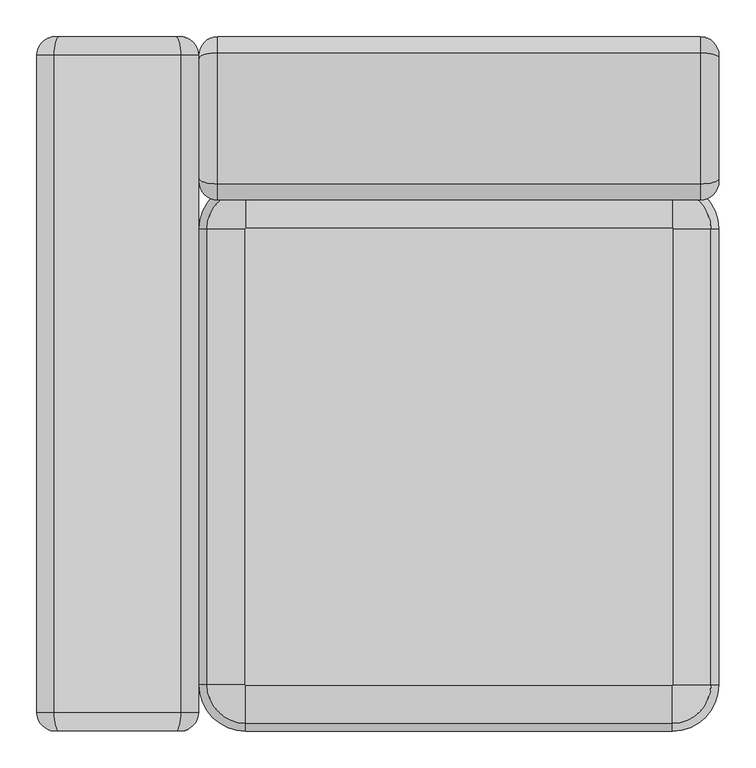
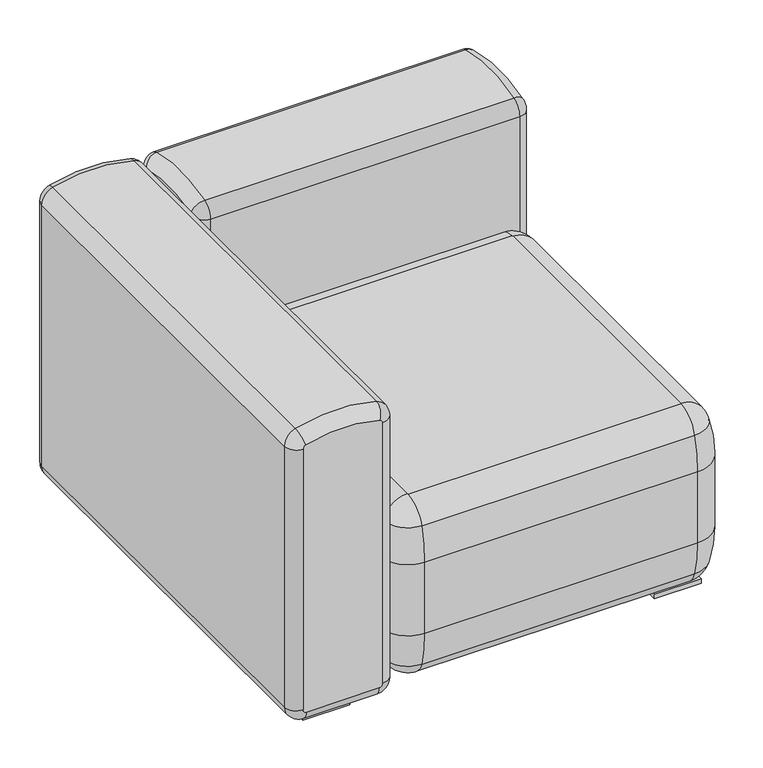
"""IFC4 building model written with IfcOpenShell, lengths in millimetres: furniture geometry."""

from ifc_helpers import new_model, si_unit, point, frame, origin, origin_with_axes, place, context, project, spatial, polyline, circle_curve, ellipse_curve, trimmed, outline, extrude, source, transform, mapped, element, save
from ifc_brep_helpers import plane_surface, cylinder_surface, revolved_surface, advanced_brep


def furniture_c8c11480(model_context):
    return source(origin(), model_context, "Body", "SolidModel", [
        advanced_brep(
        [(-682.6969384, -198.1446945, 125.4351153), (-746.1969384, -261.6446945, 125.4351153), (-746.1969384, -261.6446945, 284.9390002), (-682.6969384, -198.1446945, 284.9390002), (-101.6729065, -198.1446945, 284.9390002), (-101.6729065, -198.1446945, 125.4351153), (-38.1729065, -261.6446945, 284.9390002), (-38.1729065, -261.6446945, 125.4351153), (-38.1729065, -881.9784325, 284.9390002), (-38.1729065, -881.9784325, 125.4351153), (-101.6729065, -945.4784325, 284.9390002), (-101.6729065, -945.4784325, 125.4351153), (-682.6969384, -945.4784325, 284.9390002), (-682.6969384, -945.4784325, 125.4351153), (-746.1969384, -881.9784325, 284.9390002), (-746.1969384, -881.9784325, 125.4351153), (-682.6969384, -208.9333449, 49.2644113), (-735.4082879, -261.6446945, 49.2644113), (-101.6729065, -208.9333449, 49.2644113), (-48.961557, -261.6446945, 49.2644113), (-48.961557, -881.9784325, 49.2644113), (-101.6729065, -934.689782, 49.2644113), (-682.6969384, -934.689782, 49.2644113), (-735.4082879, -881.9784325, 49.2644113), (-682.6969384, -260.0698945, 9.5077974), (-684.2717384, -261.6446945, 9.5077974), (-101.6729065, -260.0698945, 9.5077974), (-100.0981065, -261.6446945, 9.5077974), (-100.0981065, -881.9784325, 9.5077974), (-101.6729065, -883.5532325, 9.5077974), (-682.6969384, -883.5532325, 9.5077974), (-684.2717384, -881.9784325, 9.5077974), (-682.6969384, -208.9333449, 361.1097042), (-735.4082879, -261.6446945, 361.1097042), (-684.2717384, -261.6446945, 400.8663181), (-682.6969384, -260.0698945, 400.8663181), (-101.6729065, -260.0698945, 400.8663181), (-101.6729065, -208.9333449, 361.1097042), (-100.0981065, -261.6446945, 400.8663181), (-48.961557, -261.6446945, 361.1097042), (-100.0981065, -881.9784325, 400.8663181), (-48.961557, -881.9784325, 361.1097042), (-101.6729065, -883.5532325, 400.8663181), (-101.6729065, -934.689782, 361.1097042), (-682.6969384, -883.5532325, 400.8663181), (-682.6969384, -934.689782, 361.1097042), (-684.2717384, -881.9784325, 400.8663181), (-735.4082879, -881.9784325, 361.1097042)],
        [
            (0, 1, circle_curve(frame((-682.6969384, -261.6446945, 125.4351153), z_axis=(0.0, 0.0, 1.0), x_axis=(-1.0, 0.0, 0.0)), 63.5)),
            (1, 2),
            (2, 3, circle_curve(frame((-682.6969384, -261.6446945, 284.9390002), z_axis=(0.0, 0.0, -1.0), x_axis=(-1.0, 0.0, 0.0)), 63.5)),
            (3, 0),
            (3, 4),
            (4, 5),
            (5, 0),
            (4, 6, circle_curve(frame((-101.6729065, -261.6446945, 284.9390002), z_axis=(0.0, 0.0, -1.0), x_axis=(0.0, 1.0, 0.0)), 63.5)),
            (6, 7),
            (7, 5, circle_curve(frame((-101.6729065, -261.6446945, 125.4351153), z_axis=(0.0, 0.0, 1.0), x_axis=(0.0, 1.0, 0.0)), 63.5)),
            (6, 8),
            (8, 9),
            (9, 7),
            (8, 10, circle_curve(frame((-101.6729065, -881.9784325, 284.9390002), z_axis=(0.0, 0.0, -1.0), x_axis=(1.0, 0.0, 0.0)), 63.5)),
            (10, 11),
            (11, 9, circle_curve(frame((-101.6729065, -881.9784325, 125.4351153), z_axis=(0.0, 0.0, 1.0), x_axis=(1.0, 0.0, 0.0)), 63.5)),
            (10, 12),
            (12, 13),
            (13, 11),
            (12, 14, circle_curve(frame((-682.6969384, -881.9784325, 284.9390002), z_axis=(0.0, 0.0, -1.0), x_axis=(0.0, -1.0, 0.0)), 63.5)),
            (14, 15),
            (15, 13, circle_curve(frame((-682.6969384, -881.9784325, 125.4351153), z_axis=(0.0, 0.0, 1.0), x_axis=(0.0, -1.0, 0.0)), 63.5)),
            (1, 15),
            (14, 2),
            (0, 16, circle_curve(frame((-682.6969384, -472.4316017, 125.4351153), z_axis=(-1.0, 0.0, 0.0), x_axis=(0.0, -1.0, 0.0)), 274.2869073)),
            (16, 17, circle_curve(frame((-682.6969384, -261.6446945, 49.2644113), z_axis=(0.0, 0.0, 1.0), x_axis=(-1.0, 0.0, 0.0)), 52.7113496)),
            (17, 1, circle_curve(frame((-471.9100311, -261.6446945, 125.4351153), z_axis=(0.0, 1.0, 0.0), x_axis=(1.0, 0.0, 0.0)), 274.2869073)),
            (5, 18, circle_curve(frame((-101.6729065, -472.4316017, 125.4351153), z_axis=(-1.0, 0.0, 0.0), x_axis=(0.0, -1.0, 0.0)), 274.2869073)),
            (18, 16),
            (7, 19, circle_curve(frame((-312.4598138, -261.6446945, 125.4351153), z_axis=(0.0, 1.0, 0.0), x_axis=(-1.0, 0.0, 0.0)), 274.2869073)),
            (19, 18, circle_curve(frame((-101.6729065, -261.6446945, 49.2644113), z_axis=(0.0, 0.0, 1.0), x_axis=(0.0, 1.0, 0.0)), 52.7113496)),
            (9, 20, circle_curve(frame((-312.4598138, -881.9784325, 125.4351153), z_axis=(0.0, 1.0, 0.0), x_axis=(-1.0, 0.0, 0.0)), 274.2869073)),
            (20, 19),
            (11, 21, circle_curve(frame((-101.6729065, -671.1915252, 125.4351153), z_axis=(1.0, 0.0, 0.0), x_axis=(0.0, 1.0, 0.0)), 274.2869073)),
            (21, 20, circle_curve(frame((-101.6729065, -881.9784325, 49.2644113), z_axis=(0.0, 0.0, 1.0), x_axis=(1.0, 0.0, 0.0)), 52.7113496)),
            (13, 22, circle_curve(frame((-682.6969384, -671.1915252, 125.4351153), z_axis=(1.0, 0.0, 0.0), x_axis=(0.0, 1.0, 0.0)), 274.2869073)),
            (22, 21),
            (15, 23, circle_curve(frame((-471.9100311, -881.9784325, 125.4351153), z_axis=(0.0, -1.0, 0.0), x_axis=(1.0, 0.0, 0.0)), 274.2869073)),
            (23, 22, circle_curve(frame((-682.6969384, -881.9784325, 49.2644113), z_axis=(0.0, 0.0, 1.0), x_axis=(0.0, -1.0, 0.0)), 52.7113496)),
            (17, 23),
            (16, 24, circle_curve(frame((-682.6969384, -261.8485917, 64.5608753), z_axis=(-1.0, 0.0, 0.0), x_axis=(0.0, -1.0, 0.0)), 55.0818042)),
            (24, 25, circle_curve(frame((-682.6969384, -261.6446945, 9.5077974), z_axis=(0.0, 0.0, 1.0), x_axis=(-1.0, 0.0, 0.0)), 1.5748)),
            (25, 17, circle_curve(frame((-682.4930411, -261.6446945, 64.5608753), z_axis=(0.0, 1.0, 0.0), x_axis=(1.0, 0.0, 0.0)), 55.0818042)),
            (18, 26, circle_curve(frame((-101.6729065, -261.8485917, 64.5608753), z_axis=(-1.0, 0.0, 0.0), x_axis=(0.0, -1.0, 0.0)), 55.0818042)),
            (26, 24),
            (19, 27, circle_curve(frame((-101.8768038, -261.6446945, 64.5608753), z_axis=(0.0, 1.0, 0.0), x_axis=(-1.0, 0.0, 0.0)), 55.0818042)),
            (27, 26, circle_curve(frame((-101.6729065, -261.6446945, 9.5077974), z_axis=(0.0, 0.0, 1.0), x_axis=(0.0, 1.0, 0.0)), 1.5748)),
            (20, 28, circle_curve(frame((-101.8768038, -881.9784325, 64.5608753), z_axis=(0.0, 1.0, 0.0), x_axis=(-1.0, 0.0, 0.0)), 55.0818042)),
            (28, 27),
            (21, 29, circle_curve(frame((-101.6729065, -881.7745352, 64.5608753), z_axis=(1.0, 0.0, 0.0), x_axis=(0.0, 1.0, 0.0)), 55.0818042)),
            (29, 28, circle_curve(frame((-101.6729065, -881.9784325, 9.5077974), z_axis=(0.0, 0.0, 1.0), x_axis=(1.0, 0.0, 0.0)), 1.5748)),
            (22, 30, circle_curve(frame((-682.6969384, -881.7745352, 64.5608753), z_axis=(1.0, 0.0, 0.0), x_axis=(0.0, 1.0, 0.0)), 55.0818042)),
            (30, 29),
            (23, 31, circle_curve(frame((-682.4930411, -881.9784325, 64.5608753), z_axis=(0.0, -1.0, 0.0), x_axis=(1.0, 0.0, 0.0)), 55.0818042)),
            (31, 30, circle_curve(frame((-682.6969384, -881.9784325, 9.5077974), z_axis=(0.0, 0.0, 1.0), x_axis=(0.0, -1.0, 0.0)), 1.5748)),
            (25, 31),
            (32, 33, circle_curve(frame((-682.6969384, -261.6446945, 361.1097042), z_axis=(0.0, 0.0, 1.0), x_axis=(-1.0, 0.0, 0.0)), 52.7113496)),
            (33, 34, circle_curve(frame((-682.4930411, -261.6446945, 345.8132401), z_axis=(0.0, 1.0, 0.0), x_axis=(1.0, 0.0, 0.0)), 55.0818042)),
            (34, 35, circle_curve(frame((-682.6969384, -261.6446945, 400.8663181), z_axis=(0.0, 0.0, -1.0), x_axis=(-1.0, 0.0, 0.0)), 1.5748)),
            (35, 32, circle_curve(frame((-682.6969384, -261.8485917, 345.8132401), z_axis=(-1.0, 0.0, 0.0), x_axis=(0.0, -1.0, 0.0)), 55.0818042)),
            (2, 33, circle_curve(frame((-471.9100311, -261.6446945, 284.9390002), z_axis=(0.0, 1.0, 0.0), x_axis=(1.0, 0.0, 0.0)), 274.2869073)),
            (32, 3, circle_curve(frame((-682.6969384, -472.4316017, 284.9390002), z_axis=(-1.0, 0.0, 0.0), x_axis=(0.0, -1.0, 0.0)), 274.2869073)),
            (35, 36),
            (36, 37, circle_curve(frame((-101.6729065, -261.8485917, 345.8132401), z_axis=(-1.0, 0.0, 0.0), x_axis=(0.0, -1.0, 0.0)), 55.0818042)),
            (37, 32),
            (37, 4, circle_curve(frame((-101.6729065, -472.4316017, 284.9390002), z_axis=(-1.0, 0.0, 0.0), x_axis=(0.0, -1.0, 0.0)), 274.2869073)),
            (36, 38, circle_curve(frame((-101.6729065, -261.6446945, 400.8663181), z_axis=(0.0, 0.0, -1.0), x_axis=(0.0, 1.0, 0.0)), 1.5748)),
            (38, 39, circle_curve(frame((-101.8768038, -261.6446945, 345.8132401), z_axis=(0.0, 1.0, 0.0), x_axis=(-1.0, 0.0, 0.0)), 55.0818042)),
            (39, 37, circle_curve(frame((-101.6729065, -261.6446945, 361.1097042), z_axis=(0.0, 0.0, 1.0), x_axis=(0.0, 1.0, 0.0)), 52.7113496)),
            (39, 6, circle_curve(frame((-312.4598138, -261.6446945, 284.9390002), z_axis=(0.0, 1.0, 0.0), x_axis=(-1.0, 0.0, 0.0)), 274.2869073)),
            (38, 40),
            (40, 41, circle_curve(frame((-101.8768038, -881.9784325, 345.8132401), z_axis=(0.0, 1.0, 0.0), x_axis=(-1.0, 0.0, 0.0)), 55.0818042)),
            (41, 39),
            (41, 8, circle_curve(frame((-312.4598138, -881.9784325, 284.9390002), z_axis=(0.0, 1.0, 0.0), x_axis=(-1.0, 0.0, 0.0)), 274.2869073)),
            (40, 42, circle_curve(frame((-101.6729065, -881.9784325, 400.8663181), z_axis=(0.0, 0.0, -1.0), x_axis=(1.0, 0.0, 0.0)), 1.5748)),
            (42, 43, circle_curve(frame((-101.6729065, -881.7745352, 345.8132401), z_axis=(1.0, 0.0, 0.0), x_axis=(0.0, 1.0, 0.0)), 55.0818042)),
            (43, 41, circle_curve(frame((-101.6729065, -881.9784325, 361.1097042), z_axis=(0.0, 0.0, 1.0), x_axis=(1.0, 0.0, 0.0)), 52.7113496)),
            (43, 10, circle_curve(frame((-101.6729065, -671.1915252, 284.9390002), z_axis=(1.0, 0.0, 0.0), x_axis=(0.0, 1.0, 0.0)), 274.2869073)),
            (42, 44),
            (44, 45, circle_curve(frame((-682.6969384, -881.7745352, 345.8132401), z_axis=(1.0, 0.0, 0.0), x_axis=(0.0, 1.0, 0.0)), 55.0818042)),
            (45, 43),
            (45, 12, circle_curve(frame((-682.6969384, -671.1915252, 284.9390002), z_axis=(1.0, 0.0, 0.0), x_axis=(0.0, 1.0, 0.0)), 274.2869073)),
            (44, 46, circle_curve(frame((-682.6969384, -881.9784325, 400.8663181), z_axis=(0.0, 0.0, -1.0), x_axis=(0.0, -1.0, 0.0)), 1.5748)),
            (46, 47, circle_curve(frame((-682.4930411, -881.9784325, 345.8132401), z_axis=(0.0, -1.0, 0.0), x_axis=(1.0, 0.0, 0.0)), 55.0818042)),
            (47, 45, circle_curve(frame((-682.6969384, -881.9784325, 361.1097042), z_axis=(0.0, 0.0, 1.0), x_axis=(0.0, -1.0, 0.0)), 52.7113496)),
            (47, 14, circle_curve(frame((-471.9100311, -881.9784325, 284.9390002), z_axis=(0.0, -1.0, 0.0), x_axis=(1.0, 0.0, 0.0)), 274.2869073)),
            (33, 47),
            (46, 34),
        ],
        [
            cylinder_surface(frame((-682.6969384, -261.6446945, 0.0), z_axis=(0.0, 0.0, -1.0), x_axis=(-1.0, 0.0, 0.0)), 63.5),
            plane_surface(frame((-682.6969384, -198.1446945, 284.9390002), z_axis=(0.0, 1.0, 0.0), x_axis=(1.0, 0.0, 0.0))),
            cylinder_surface(frame((-101.6729065, -261.6446945, 0.0), z_axis=(0.0, 0.0, -1.0), x_axis=(0.0, 1.0, 0.0)), 63.5),
            plane_surface(frame((-38.1729065, -261.6446945, 284.9390002), z_axis=(1.0, 0.0, 0.0), x_axis=(0.0, -1.0, 0.0))),
            cylinder_surface(frame((-101.6729065, -881.9784325, 0.0), z_axis=(0.0, 0.0, -1.0), x_axis=(1.0, 0.0, 0.0)), 63.5),
            plane_surface(frame((-101.6729065, -945.4784325, 284.9390002), z_axis=(0.0, -1.0, 0.0), x_axis=(-1.0, 0.0, 0.0))),
            cylinder_surface(frame((-682.6969384, -881.9784325, 0.0), z_axis=(0.0, 0.0, -1.0), x_axis=(0.0, -1.0, 0.0)), 63.5),
            plane_surface(frame((-746.1969384, -881.9784325, 284.9390002), z_axis=(-1.0, 0.0, 0.0), x_axis=(0.0, 1.0, 0.0))),
            revolved_surface(trimmed(ellipse_curve(frame((-471.9100311, -261.6446945, 125.4351153), z_axis=(0.0, -1.0, 0.0), x_axis=(1.0, 0.0, 0.0)), 274.2869073, 274.2869073), [point((-746.1969384, -261.6446945, 125.4351153))], [point((-735.4082879, -261.6446945, 49.2644113))], True, "CARTESIAN"), (-682.6969384, -261.6446945, 0.0), (0.0, 0.0, -1.0)),
            cylinder_surface(frame((-682.6969384, -472.4316017, 125.4351153), z_axis=(-1.0, 0.0, 0.0), x_axis=(0.0, -1.0, 0.0)), 274.2869073),
            revolved_surface(trimmed(ellipse_curve(frame((-101.6729065, -472.4316017, 125.4351153), z_axis=(-1.0, 0.0, 0.0), x_axis=(0.0, -1.0, 0.0)), 274.2869073, 274.2869073), [point((-101.6729065, -198.1446945, 125.4351153))], [point((-101.6729065, -208.9333449, 49.2644113))], True, "CARTESIAN"), (-101.6729065, -261.6446945, 0.0), (0.0, 0.0, -1.0)),
            cylinder_surface(frame((-312.4598138, -261.6446945, 125.4351153), z_axis=(0.0, 1.0, 0.0), x_axis=(-1.0, 0.0, 0.0)), 274.2869073),
            revolved_surface(trimmed(ellipse_curve(frame((-312.4598138, -881.9784325, 125.4351153), z_axis=(0.0, 1.0, 0.0), x_axis=(-1.0, 0.0, 0.0)), 274.2869073, 274.2869073), [point((-38.1729065, -881.9784325, 125.4351153))], [point((-48.961557, -881.9784325, 49.2644113))], True, "CARTESIAN"), (-101.6729065, -881.9784325, 0.0), (0.0, 0.0, -1.0)),
            cylinder_surface(frame((-101.6729065, -671.1915252, 125.4351153), z_axis=(1.0, 0.0, 0.0), x_axis=(0.0, 1.0, 0.0)), 274.2869073),
            revolved_surface(trimmed(ellipse_curve(frame((-682.6969384, -671.1915252, 125.4351153), z_axis=(1.0, 0.0, 0.0), x_axis=(0.0, 1.0, 0.0)), 274.2869073, 274.2869073), [point((-682.6969384, -945.4784325, 125.4351153))], [point((-682.6969384, -934.689782, 49.2644113))], True, "CARTESIAN"), (-682.6969384, -881.9784325, 0.0), (0.0, 0.0, -1.0)),
            cylinder_surface(frame((-471.9100311, -881.9784325, 125.4351153), z_axis=(0.0, -1.0, 0.0), x_axis=(1.0, 0.0, 0.0)), 274.2869073),
            revolved_surface(trimmed(ellipse_curve(frame((-682.4930411, -261.6446945, 64.5608753), z_axis=(0.0, -1.0, 0.0), x_axis=(1.0, 0.0, 0.0)), 55.0818042, 55.0818042), [point((-735.4082879, -261.6446945, 49.2644113))], [point((-684.2717384, -261.6446945, 9.5077974))], True, "CARTESIAN"), (-682.6969384, -261.6446945, 0.0), (0.0, 0.0, -1.0)),
            cylinder_surface(frame((-682.6969384, -261.8485917, 64.5608753), z_axis=(-1.0, 0.0, 0.0), x_axis=(0.0, -1.0, 0.0)), 55.0818042),
            revolved_surface(trimmed(ellipse_curve(frame((-101.6729065, -261.8485917, 64.5608753), z_axis=(-1.0, 0.0, 0.0), x_axis=(0.0, -1.0, 0.0)), 55.0818042, 55.0818042), [point((-101.6729065, -208.9333449, 49.2644113))], [point((-101.6729065, -260.0698945, 9.5077974))], True, "CARTESIAN"), (-101.6729065, -261.6446945, 0.0), (0.0, 0.0, -1.0)),
            cylinder_surface(frame((-101.8768038, -261.6446945, 64.5608753), z_axis=(0.0, 1.0, 0.0), x_axis=(-1.0, 0.0, 0.0)), 55.0818042),
            revolved_surface(trimmed(ellipse_curve(frame((-101.8768038, -881.9784325, 64.5608753), z_axis=(0.0, 1.0, 0.0), x_axis=(-1.0, 0.0, 0.0)), 55.0818042, 55.0818042), [point((-48.961557, -881.9784325, 49.2644113))], [point((-100.0981065, -881.9784325, 9.5077974))], True, "CARTESIAN"), (-101.6729065, -881.9784325, 0.0), (0.0, 0.0, -1.0)),
            cylinder_surface(frame((-101.6729065, -881.7745352, 64.5608753), z_axis=(1.0, 0.0, 0.0), x_axis=(0.0, 1.0, 0.0)), 55.0818042),
            revolved_surface(trimmed(ellipse_curve(frame((-682.6969384, -881.7745352, 64.5608753), z_axis=(1.0, 0.0, 0.0), x_axis=(0.0, 1.0, 0.0)), 55.0818042, 55.0818042), [point((-682.6969384, -934.689782, 49.2644113))], [point((-682.6969384, -883.5532325, 9.5077974))], True, "CARTESIAN"), (-682.6969384, -881.9784325, 0.0), (0.0, 0.0, -1.0)),
            cylinder_surface(frame((-682.4930411, -881.9784325, 64.5608753), z_axis=(0.0, -1.0, 0.0), x_axis=(1.0, 0.0, 0.0)), 55.0818042),
            revolved_surface(trimmed(ellipse_curve(frame((-682.4930411, -261.6446945, 345.8132401), z_axis=(0.0, -1.0, 0.0), x_axis=(1.0, 0.0, 0.0)), 55.0818042, 55.0818042), [point((-684.2717384, -261.6446945, 400.8663181))], [point((-735.4082879, -261.6446945, 361.1097042))], True, "CARTESIAN"), (-682.6969384, -261.6446945, 0.0), (0.0, 0.0, -1.0)),
            revolved_surface(trimmed(ellipse_curve(frame((-471.9100311, -261.6446945, 284.9390002), z_axis=(0.0, -1.0, 0.0), x_axis=(1.0, 0.0, 0.0)), 274.2869073, 274.2869073), [point((-735.4082879, -261.6446945, 361.1097042))], [point((-746.1969384, -261.6446945, 284.9390002))], True, "CARTESIAN"), (-682.6969384, -261.6446945, 0.0), (0.0, 0.0, -1.0)),
            cylinder_surface(frame((-682.6969384, -261.8485917, 345.8132401), z_axis=(-1.0, 0.0, 0.0), x_axis=(0.0, -1.0, 0.0)), 55.0818042),
            cylinder_surface(frame((-682.6969384, -472.4316017, 284.9390002), z_axis=(-1.0, 0.0, 0.0), x_axis=(0.0, -1.0, 0.0)), 274.2869073),
            revolved_surface(trimmed(ellipse_curve(frame((-101.6729065, -261.8485917, 345.8132401), z_axis=(-1.0, 0.0, 0.0), x_axis=(0.0, -1.0, 0.0)), 55.0818042, 55.0818042), [point((-101.6729065, -260.0698945, 400.8663181))], [point((-101.6729065, -208.9333449, 361.1097042))], True, "CARTESIAN"), (-101.6729065, -261.6446945, 0.0), (0.0, 0.0, -1.0)),
            revolved_surface(trimmed(ellipse_curve(frame((-101.6729065, -472.4316017, 284.9390002), z_axis=(-1.0, 0.0, 0.0), x_axis=(0.0, -1.0, 0.0)), 274.2869073, 274.2869073), [point((-101.6729065, -208.9333449, 361.1097042))], [point((-101.6729065, -198.1446945, 284.9390002))], True, "CARTESIAN"), (-101.6729065, -261.6446945, 0.0), (0.0, 0.0, -1.0)),
            cylinder_surface(frame((-101.8768038, -261.6446945, 345.8132401), z_axis=(0.0, 1.0, 0.0), x_axis=(-1.0, 0.0, 0.0)), 55.0818042),
            cylinder_surface(frame((-312.4598138, -261.6446945, 284.9390002), z_axis=(0.0, 1.0, 0.0), x_axis=(-1.0, 0.0, 0.0)), 274.2869073),
            revolved_surface(trimmed(ellipse_curve(frame((-101.8768038, -881.9784325, 345.8132401), z_axis=(0.0, 1.0, 0.0), x_axis=(-1.0, 0.0, 0.0)), 55.0818042, 55.0818042), [point((-100.0981065, -881.9784325, 400.8663181))], [point((-48.961557, -881.9784325, 361.1097042))], True, "CARTESIAN"), (-101.6729065, -881.9784325, 0.0), (0.0, 0.0, -1.0)),
            revolved_surface(trimmed(ellipse_curve(frame((-312.4598138, -881.9784325, 284.9390002), z_axis=(0.0, 1.0, 0.0), x_axis=(-1.0, 0.0, 0.0)), 274.2869073, 274.2869073), [point((-48.961557, -881.9784325, 361.1097042))], [point((-38.1729065, -881.9784325, 284.9390002))], True, "CARTESIAN"), (-101.6729065, -881.9784325, 0.0), (0.0, 0.0, -1.0)),
            cylinder_surface(frame((-101.6729065, -881.7745352, 345.8132401), z_axis=(1.0, 0.0, 0.0), x_axis=(0.0, 1.0, 0.0)), 55.0818042),
            cylinder_surface(frame((-101.6729065, -671.1915252, 284.9390002), z_axis=(1.0, 0.0, 0.0), x_axis=(0.0, 1.0, 0.0)), 274.2869073),
            revolved_surface(trimmed(ellipse_curve(frame((-682.6969384, -881.7745352, 345.8132401), z_axis=(1.0, 0.0, 0.0), x_axis=(0.0, 1.0, 0.0)), 55.0818042, 55.0818042), [point((-682.6969384, -883.5532325, 400.8663181))], [point((-682.6969384, -934.689782, 361.1097042))], True, "CARTESIAN"), (-682.6969384, -881.9784325, 0.0), (0.0, 0.0, -1.0)),
            revolved_surface(trimmed(ellipse_curve(frame((-682.6969384, -671.1915252, 284.9390002), z_axis=(1.0, 0.0, 0.0), x_axis=(0.0, 1.0, 0.0)), 274.2869073, 274.2869073), [point((-682.6969384, -934.689782, 361.1097042))], [point((-682.6969384, -945.4784325, 284.9390002))], True, "CARTESIAN"), (-682.6969384, -881.9784325, 0.0), (0.0, 0.0, -1.0)),
            cylinder_surface(frame((-682.4930411, -881.9784325, 345.8132401), z_axis=(0.0, -1.0, 0.0), x_axis=(1.0, 0.0, 0.0)), 55.0818042),
            cylinder_surface(frame((-471.9100311, -881.9784325, 284.9390002), z_axis=(0.0, -1.0, 0.0), x_axis=(1.0, 0.0, 0.0)), 274.2869073),
            plane_surface(frame((-684.2717384, -1125.140639, 400.8663181), z_axis=(0.0, 0.0, 1.0), x_axis=(0.0, -1.0, 0.0))),
            plane_surface(frame((-684.2717384, -1125.140639, 9.5077974), z_axis=(0.0, 0.0, -1.0), x_axis=(0.0, 1.0, 0.0))),
        ],
        [
            (0, [[1, 2, 3, 4]]),
            (1, [[-4, 5, 6, 7]]),
            (2, [[-6, 8, 9, 10]]),
            (3, [[-9, 11, 12, 13]]),
            (4, [[-12, 14, 15, 16]]),
            (5, [[-15, 17, 18, 19]]),
            (6, [[-18, 20, 21, 22]]),
            (7, [[-2, 23, -21, 24]]),
            (8, [[-1, 25, 26, 27]]),
            (9, [[-7, 28, 29, -25]]),
            (10, [[-10, 30, 31, -28]]),
            (11, [[-13, 32, 33, -30]]),
            (12, [[-16, 34, 35, -32]]),
            (13, [[-19, 36, 37, -34]]),
            (14, [[-22, 38, 39, -36]]),
            (15, [[-23, -27, 40, -38]]),
            (16, [[-26, 41, 42, 43]]),
            (17, [[-29, 44, 45, -41]]),
            (18, [[-31, 46, 47, -44]]),
            (19, [[-33, 48, 49, -46]]),
            (20, [[-35, 50, 51, -48]]),
            (21, [[-37, 52, 53, -50]]),
            (22, [[-39, 54, 55, -52]]),
            (23, [[-40, -43, 56, -54]]),
            (24, [[57, 58, 59, 60]]),
            (25, [[-3, 61, -57, 62]]),
            (26, [[-60, 63, 64, 65]]),
            (27, [[-5, -62, -65, 66]]),
            (28, [[-64, 67, 68, 69]]),
            (29, [[-8, -66, -69, 70]]),
            (30, [[-68, 71, 72, 73]]),
            (31, [[-11, -70, -73, 74]]),
            (32, [[-72, 75, 76, 77]]),
            (33, [[-14, -74, -77, 78]]),
            (34, [[-76, 79, 80, 81]]),
            (35, [[-17, -78, -81, 82]]),
            (36, [[-80, 83, 84, 85]]),
            (37, [[-20, -82, -85, 86]]),
            (38, [[-58, 87, -84, 88]]),
            (39, [[-24, -86, -87, -61]]),
            (40, [[-59, -88, -83, -79, -75, -71, -67, -63]]),
            (41, [[-42, -45, -47, -49, -51, -53, -55, -56]]),
        ],
    ),
        advanced_brep(
        [(-721.0031758, 0.0, 632.3988818), (-721.0031758, -21.7039085, 661.5881027), (-63.5729323, -21.7039085, 661.5881027), (-63.5729323, 0.0, 632.3988818), (-746.4031758, -25.4, 632.3988818), (-746.4031758, -29.0173181, 637.263752), (-38.1729323, -29.0173181, 637.263752), (-38.1729323, -25.4, 632.3988818), (-63.5729323, 0.0, 43.3255551), (-721.0031758, 0.0, 43.3255551), (-746.4031758, -25.4, 43.3255551), (-38.1729323, -25.4, 43.3255551), (-63.5729323, -33.02, 10.3055551), (-721.0031758, -33.02, 10.3055551), (-746.4031758, -33.02, 35.7055551), (-38.1729323, -33.02, 35.7055551), (-63.5729323, -189.2299879, 10.3055551), (-721.0031758, -189.2299879, 10.3055551), (-746.4031758, -189.2299879, 35.7055551), (-38.1729323, -189.2299879, 35.7055551), (-63.5729323, -222.2499879, 43.3255551), (-721.0031758, -222.2499879, 43.3255551), (-746.4031758, -196.8499879, 43.3255551), (-38.1729323, -196.8499879, 43.3255551), (-63.5729323, -222.2499879, 632.3988818), (-721.0031758, -222.2499879, 632.3988818), (-746.4031758, -196.8499879, 632.3988818), (-38.1729323, -196.8499879, 632.3988818), (-63.5729323, -200.5460794, 661.5881027), (-721.0031758, -200.5460794, 661.5881027), (-746.4031758, -193.2326698, 637.263752), (-38.1729323, -193.2326698, 637.263752)],
        [
            (0, 1, circle_curve(frame((-721.0031758, -30.48, 632.3988818), z_axis=(1.0, 0.0, 0.0), x_axis=(0.0, 0.2879295114147125, 0.9576516049464361)), 30.48)),
            (1, 2),
            (2, 3, circle_curve(frame((-63.5729323, -30.48, 632.3988818), z_axis=(-1.0, 0.0, 0.0), x_axis=(0.0, 0.2879295114147125, 0.9576516049464361)), 30.48)),
            (3, 0),
            (0, 4, circle_curve(frame((-721.0031758, -25.4, 632.3988818), z_axis=(0.0, 0.0, 1.0), x_axis=(0.0, 1.0, 0.0)), 25.4)),
            (4, 5, circle_curve(frame((-746.4031758, -30.48, 632.3988818), z_axis=(1.0, 0.0, 0.0), x_axis=(0.0, 0.2879295114147125, 0.9576516049464361)), 5.08)),
            (5, 1, circle_curve(frame((-721.0031758, -29.0173181, 637.263752), z_axis=(0.0, 0.9576516049464361, -0.28792951141471257), x_axis=(0.0, 0.28792951141471257, 0.9576516049464361)), 25.4)),
            (2, 6, circle_curve(frame((-63.5729323, -29.0173181, 637.263752), z_axis=(0.0, 0.9576516049464361, -0.28792951141471257), x_axis=(0.0, 0.28792951141471257, 0.9576516049464361)), 25.4)),
            (6, 7, circle_curve(frame((-38.1729323, -30.48, 632.3988818), z_axis=(-1.0, 0.0, 0.0), x_axis=(0.0, 0.2879295114147125, 0.9576516049464361)), 5.08)),
            (7, 3, circle_curve(frame((-63.5729323, -25.4, 632.3988818), z_axis=(0.0, 0.0, 0.9999999999999999), x_axis=(0.0, 0.9999999999999999, 0.0)), 25.4)),
            (3, 8),
            (8, 9),
            (9, 0),
            (9, 10, circle_curve(frame((-721.0031758, -25.4, 43.3255551), z_axis=(0.0, 0.0, 1.0), x_axis=(0.0, 1.0, 0.0)), 25.4)),
            (10, 4),
            (7, 11),
            (11, 8, circle_curve(frame((-63.5729323, -25.4, 43.3255551), z_axis=(0.0, 0.0, 1.0), x_axis=(0.0, 1.0, 0.0)), 25.4)),
            (8, 12, circle_curve(frame((-63.5729323, -33.02, 43.3255551), z_axis=(-1.0, 0.0, 0.0), x_axis=(0.0, 1.0, 0.0)), 33.02)),
            (12, 13),
            (13, 9, circle_curve(frame((-721.0031758, -33.02, 43.3255551), z_axis=(1.0, 0.0, 0.0), x_axis=(0.0, 1.0, 0.0)), 33.02)),
            (13, 14, circle_curve(frame((-721.0031758, -33.02, 35.7055551), z_axis=(0.0, 1.0, 0.0), x_axis=(0.0, 0.0, -1.0)), 25.4)),
            (14, 10, circle_curve(frame((-746.4031758, -33.02, 43.3255551), z_axis=(1.0, 0.0, 0.0), x_axis=(0.0, 1.0, 0.0)), 7.62)),
            (11, 15, circle_curve(frame((-38.1729323, -33.02, 43.3255551), z_axis=(-1.0, 0.0, 0.0), x_axis=(0.0, 1.0, 0.0)), 7.62)),
            (15, 12, circle_curve(frame((-63.5729323, -33.02, 35.7055551), z_axis=(0.0, 1.0, 0.0), x_axis=(0.0, 0.0, -1.0)), 25.4)),
            (12, 16),
            (16, 17),
            (17, 13),
            (17, 18, circle_curve(frame((-721.0031758, -189.2299879, 35.7055551), z_axis=(0.0, 1.0, 0.0), x_axis=(0.0, 0.0, -1.0)), 25.4)),
            (18, 14),
            (15, 19),
            (19, 16, circle_curve(frame((-63.5729323, -189.2299879, 35.7055551), z_axis=(0.0, 1.0, 0.0), x_axis=(0.0, 0.0, -1.0)), 25.4)),
            (16, 20, circle_curve(frame((-63.5729323, -189.2299879, 43.3255551), z_axis=(-1.0, 0.0, 0.0), x_axis=(0.0, 0.0, -1.0)), 33.02)),
            (20, 21),
            (21, 17, circle_curve(frame((-721.0031758, -189.2299879, 43.3255551), z_axis=(1.0, 0.0, 0.0), x_axis=(0.0, 0.0, -1.0)), 33.02)),
            (21, 22, circle_curve(frame((-721.0031758, -196.8499879, 43.3255551), z_axis=(0.0, 0.0, -1.0), x_axis=(0.0, -1.0, 0.0)), 25.4)),
            (22, 18, circle_curve(frame((-746.4031758, -189.2299879, 43.3255551), z_axis=(1.0, 0.0, 0.0), x_axis=(0.0, 0.0, -1.0)), 7.62)),
            (19, 23, circle_curve(frame((-38.1729323, -189.2299879, 43.3255551), z_axis=(-1.0, 0.0, 0.0), x_axis=(0.0, 0.0, -1.0)), 7.62)),
            (23, 20, circle_curve(frame((-63.5729323, -196.8499879, 43.3255551), z_axis=(0.0, 0.0, -1.0), x_axis=(0.0, -1.0, 0.0)), 25.4)),
            (20, 24),
            (24, 25),
            (25, 21),
            (25, 26, circle_curve(frame((-721.0031758, -196.8499879, 632.3988818), z_axis=(0.0, 0.0, -1.0), x_axis=(0.0, -1.0, 0.0)), 25.4)),
            (26, 22),
            (23, 27),
            (27, 24, circle_curve(frame((-63.5729323, -196.8499879, 632.3988818), z_axis=(0.0, 0.0, -1.0), x_axis=(0.0, -1.0, 0.0)), 25.4)),
            (24, 28, circle_curve(frame((-63.5729323, -191.7699879, 632.3988818), z_axis=(-1.0, 0.0, 0.0), x_axis=(0.0, -1.0, 0.0)), 30.48)),
            (28, 29),
            (29, 25, circle_curve(frame((-721.0031758, -191.7699879, 632.3988818), z_axis=(1.0, 0.0, 0.0), x_axis=(0.0, -1.0, 0.0)), 30.48)),
            (29, 30, circle_curve(frame((-721.0031758, -193.2326698, 637.263752), z_axis=(0.0, -0.957651604946457, -0.2879295114146433), x_axis=(0.0, -0.2879295114146433, 0.957651604946457)), 25.4)),
            (30, 26, circle_curve(frame((-746.4031758, -191.7699879, 632.3988818), z_axis=(1.0, 0.0, 0.0), x_axis=(0.0, -1.0, 0.0)), 5.08)),
            (27, 31, circle_curve(frame((-38.1729323, -191.7699879, 632.3988818), z_axis=(-1.0, 0.0, 0.0), x_axis=(0.0, -1.0, 0.0)), 5.08)),
            (31, 28, circle_curve(frame((-63.5729323, -193.2326698, 637.263752), z_axis=(0.0, -0.9576516049464607, -0.2879295114146306), x_axis=(0.0, -0.2879295114146306, 0.9576516049464607)), 25.4)),
            (1, 29, circle_curve(frame((-721.0031758, -111.1249939, 364.1741781), z_axis=(1.0, 0.0, 0.0), x_axis=(0.0, -0.28792951141464596, 0.9576516049464561)), 310.5658917)),
            (28, 2, circle_curve(frame((-63.5729323, -111.1249939, 364.1741781), z_axis=(-1.0, 0.0, 0.0), x_axis=(0.0, -0.28792951141464596, 0.9576516049464561)), 310.5658917)),
            (5, 30, circle_curve(frame((-746.4031758, -111.1249939, 364.1741781), z_axis=(1.0, 0.0, 0.0), x_axis=(0.0, -0.28792951141464596, 0.9576516049464561)), 285.1658917)),
            (6, 31, circle_curve(frame((-38.1729323, -111.1249939, 364.1741781), z_axis=(1.0, 0.0, 0.0), x_axis=(0.0, -0.28792951141464596, 0.9576516049464561)), 285.1658917)),
        ],
        [
            cylinder_surface(frame((-743.9779521, -30.48, 632.3988818), z_axis=(-1.0, 0.0, 0.0), x_axis=(0.0, 0.2879295114147125, 0.9576516049464361)), 30.48),
            revolved_surface(trimmed(ellipse_curve(frame((-721.0031758, -29.0173181, 637.263752), z_axis=(0.0, -0.9576516049464361, 0.28792951141471257), x_axis=(0.0, 0.28792951141471257, 0.9576516049464361)), 25.4, 25.4), [point((-721.0031758, -21.7039085, 661.5881027))], [point((-746.4031758, -29.0173181, 637.263752))], True, "CARTESIAN"), (-743.9779521, -30.48, 632.3988818), (-1.0, 0.0, 0.0)),
            revolved_surface(trimmed(ellipse_curve(frame((-63.5729323, -29.0173181, 637.263752), z_axis=(0.0, -0.9576516049464361, 0.28792951141471257), x_axis=(0.0, 0.28792951141471257, 0.9576516049464361)), 25.4, 25.4), [point((-38.1729323, -29.0173181, 637.263752))], [point((-63.5729323, -21.7039085, 661.5881027))], True, "CARTESIAN"), (-743.9779521, -30.48, 632.3988818), (-1.0, 0.0, 0.0)),
            plane_surface(frame((-63.5729323, 0.0, 632.3988818), z_axis=(0.0, 1.0, 0.0), x_axis=(0.0, 0.0, -1.0))),
            cylinder_surface(frame((-721.0031758, -25.4, 632.3988818), z_axis=(0.0, 0.0, 1.0), x_axis=(0.0, 1.0, 0.0)), 25.4),
            cylinder_surface(frame((-63.5729323, -25.4, 632.3988818), z_axis=(0.0, 0.0, 1.0), x_axis=(0.0, 1.0, 0.0)), 25.4),
            cylinder_surface(frame((-743.9779521, -33.02, 43.3255551), z_axis=(-1.0, 0.0, 0.0), x_axis=(0.0, 1.0, 0.0)), 33.02),
            revolved_surface(trimmed(ellipse_curve(frame((-721.0031758, -25.4, 43.3255551), z_axis=(0.0, 0.0, 1.0), x_axis=(0.0, 1.0, 0.0)), 25.4, 25.4), [point((-721.0031758, 0.0, 43.3255551))], [point((-746.4031758, -25.4, 43.3255551))], True, "CARTESIAN"), (-743.9779521, -33.02, 43.3255551), (-1.0, 0.0, 0.0)),
            revolved_surface(trimmed(ellipse_curve(frame((-63.5729323, -25.4, 43.3255551), z_axis=(0.0, 0.0, 1.0), x_axis=(0.0, 1.0, 0.0)), 25.4, 25.4), [point((-38.1729323, -25.4, 43.3255551))], [point((-63.5729323, 0.0, 43.3255551))], True, "CARTESIAN"), (-743.9779521, -33.02, 43.3255551), (-1.0, 0.0, 0.0)),
            plane_surface(frame((-63.5729323, -33.02, 10.3055551), z_axis=(0.0, 0.0, -1.0), x_axis=(0.0, -1.0, 0.0))),
            cylinder_surface(frame((-721.0031758, -33.02, 35.7055551), z_axis=(0.0, 1.0, 0.0), x_axis=(0.0, 0.0, -1.0)), 25.4),
            cylinder_surface(frame((-63.5729323, -33.02, 35.7055551), z_axis=(0.0, 1.0, 0.0), x_axis=(0.0, 0.0, -1.0)), 25.4),
            cylinder_surface(frame((-743.9779521, -189.2299879, 43.3255551), z_axis=(-1.0, 0.0, 0.0), x_axis=(0.0, 0.0, -1.0)), 33.02),
            revolved_surface(trimmed(ellipse_curve(frame((-721.0031758, -189.2299879, 35.7055551), z_axis=(0.0, 1.0, 0.0), x_axis=(0.0, 0.0, -1.0)), 25.4, 25.4), [point((-721.0031758, -189.2299879, 10.3055551))], [point((-746.4031758, -189.2299879, 35.7055551))], True, "CARTESIAN"), (-743.9779521, -189.2299879, 43.3255551), (-1.0, 0.0, 0.0)),
            revolved_surface(trimmed(ellipse_curve(frame((-63.5729323, -189.2299879, 35.7055551), z_axis=(0.0, 1.0, 0.0), x_axis=(0.0, 0.0, -1.0)), 25.4, 25.4), [point((-38.1729323, -189.2299879, 35.7055551))], [point((-63.5729323, -189.2299879, 10.3055551))], True, "CARTESIAN"), (-743.9779521, -189.2299879, 43.3255551), (-1.0, 0.0, 0.0)),
            plane_surface(frame((-63.5729323, -222.2499879, 43.3255551), z_axis=(0.0, -1.0, 0.0), x_axis=(0.0, 0.0, 1.0))),
            cylinder_surface(frame((-721.0031758, -196.8499879, 43.3255551), z_axis=(0.0, 0.0, -1.0), x_axis=(0.0, -1.0, 0.0)), 25.4),
            cylinder_surface(frame((-63.5729323, -196.8499879, 43.3255551), z_axis=(0.0, 0.0, -1.0), x_axis=(0.0, -1.0, 0.0)), 25.4),
            cylinder_surface(frame((-743.9779521, -191.7699879, 632.3988818), z_axis=(-1.0, 0.0, 0.0), x_axis=(0.0, -1.0, 0.0)), 30.48),
            revolved_surface(trimmed(ellipse_curve(frame((-721.0031758, -196.8499879, 632.3988818), z_axis=(0.0, 0.0, -1.0), x_axis=(0.0, -1.0, 0.0)), 25.4, 25.4), [point((-721.0031758, -222.2499879, 632.3988818))], [point((-746.4031758, -196.8499879, 632.3988818))], True, "CARTESIAN"), (-743.9779521, -191.7699879, 632.3988818), (-1.0, 0.0, 0.0)),
            revolved_surface(trimmed(ellipse_curve(frame((-63.5729323, -196.8499879, 632.3988818), z_axis=(0.0, 0.0, -1.0), x_axis=(0.0, -1.0, 0.0)), 25.4, 25.4), [point((-38.1729323, -196.8499879, 632.3988818))], [point((-63.5729323, -222.2499879, 632.3988818))], True, "CARTESIAN"), (-743.9779521, -191.7699879, 632.3988818), (-1.0, 0.0, 0.0)),
            cylinder_surface(frame((-743.9779521, -111.1249939, 364.1741781), z_axis=(-1.0, 0.0, 0.0), x_axis=(0.0, -0.28792951141464596, 0.9576516049464561)), 310.5658917),
            revolved_surface(trimmed(ellipse_curve(frame((-721.0031758, -193.2326698, 637.263752), z_axis=(0.0, -0.9576516049464561, -0.28792951141464607), x_axis=(0.0, -0.28792951141464607, 0.9576516049464561)), 25.4, 25.4), [point((-721.0031758, -200.5460794, 661.5881027))], [point((-746.4031758, -193.2326698, 637.263752))], True, "CARTESIAN"), (-743.9779521, -111.1249939, 364.1741781), (-1.0, 0.0, 0.0)),
            plane_surface(frame((-746.4031758, -111.1249939, 364.1741781), z_axis=(-1.0000000000000002, 0.0, 0.0), x_axis=(0.0, -0.287929511414646, 0.9576516049464562))),
            plane_surface(frame((-38.1729323, -111.1249939, 364.1741781), z_axis=(1.0000000000000002, 0.0, 0.0), x_axis=(0.0, -0.287929511414646, 0.9576516049464562))),
            revolved_surface(trimmed(ellipse_curve(frame((-63.5729323, -193.2326698, 637.263752), z_axis=(0.0, -0.9576516049464561, -0.28792951141464607), x_axis=(0.0, -0.28792951141464607, 0.9576516049464561)), 25.4, 25.4), [point((-38.1729323, -193.2326698, 637.263752))], [point((-63.5729323, -200.5460794, 661.5881027))], True, "CARTESIAN"), (-743.9779521, -111.1249939, 364.1741781), (-1.0, 0.0, 0.0)),
        ],
        [
            (0, [[1, 2, 3, 4]]),
            (1, [[-1, 5, 6, 7]]),
            (2, [[-3, 8, 9, 10]]),
            (3, [[-4, 11, 12, 13]]),
            (4, [[-5, -13, 14, 15]]),
            (5, [[-10, 16, 17, -11]]),
            (6, [[-12, 18, 19, 20]]),
            (7, [[-14, -20, 21, 22]]),
            (8, [[-17, 23, 24, -18]]),
            (9, [[-19, 25, 26, 27]]),
            (10, [[-21, -27, 28, 29]]),
            (11, [[-24, 30, 31, -25]]),
            (12, [[-26, 32, 33, 34]]),
            (13, [[-28, -34, 35, 36]]),
            (14, [[-31, 37, 38, -32]]),
            (15, [[-33, 39, 40, 41]]),
            (16, [[-35, -41, 42, 43]]),
            (17, [[-38, 44, 45, -39]]),
            (18, [[-40, 46, 47, 48]]),
            (19, [[-42, -48, 49, 50]]),
            (20, [[-45, 51, 52, -46]]),
            (21, [[-2, 53, -47, 54]]),
            (22, [[-7, 55, -49, -53]]),
            (23, [[-6, -15, -22, -29, -36, -43, -50, -55]]),
            (24, [[-9, 56, -51, -44, -37, -30, -23, -16]]),
            (25, [[-8, -54, -52, -56]]),
        ],
    ),
        advanced_brep(
        [(-746.9220367, -919.715567, 43.3255551), (-779.9420367, -919.715567, 10.3055551), (-779.9420367, -25.4, 10.3055551), (-746.9220367, -25.4, 43.3255551), (-779.9420367, 0.0, 35.7055551), (-772.3220367, 0.0, 43.3255551), (-772.3220367, -945.115567, 43.3255551), (-779.9420367, -945.115567, 35.7055551), (-746.9220367, -25.4, 630.5024736), (-746.9220367, -919.715567, 630.5024736), (-772.3220367, 0.0, 630.5024736), (-772.3220367, -945.115567, 630.5024736), (-770.6843049, -25.4, 662.1981327), (-770.6843049, -919.715567, 662.1981327), (-777.8056371, 0.0, 637.8168565), (-777.8056371, -945.115567, 637.8168565), (-934.5266483, -919.715567, 10.3055551), (-934.5266483, -25.4, 10.3055551), (-934.5266483, 0.0, 35.7055551), (-934.5266483, -945.115567, 35.7055551), (-943.7843802, -25.4, 662.1981327), (-943.7843802, -919.715567, 662.1981327), (-936.6630479, 0.0, 637.8168565), (-936.6630479, -945.115567, 637.8168565), (-967.5466483, -25.4, 630.5024736), (-967.5466483, -919.715567, 630.5024736), (-942.1466483, 0.0, 630.5024736), (-942.1466483, -945.115567, 630.5024736), (-967.5466483, -25.4, 43.3255551), (-967.5466483, -919.715567, 43.3255551), (-942.1466483, 0.0, 43.3255551), (-942.1466483, -945.115567, 43.3255551)],
        [
            (0, 1, circle_curve(frame((-779.9420367, -919.715567, 43.3255551), z_axis=(0.0, 1.0, 0.0), x_axis=(0.0, 0.0, -1.0)), 33.02)),
            (1, 2),
            (2, 3, circle_curve(frame((-779.9420367, -25.4, 43.3255551), z_axis=(0.0, -1.0, 0.0), x_axis=(0.0, 0.0, -1.0)), 33.02)),
            (3, 0),
            (2, 4, circle_curve(frame((-779.9420367, -25.4, 35.7055551), z_axis=(1.0, 0.0, 0.0), x_axis=(0.0, 0.0, -1.0)), 25.4)),
            (4, 5, circle_curve(frame((-779.9420367, 0.0, 43.3255551), z_axis=(0.0, -1.0, 0.0), x_axis=(0.0, 0.0, -1.0)), 7.62)),
            (5, 3, circle_curve(frame((-772.3220367, -25.4, 43.3255551), z_axis=(0.0, 0.0, -1.0), x_axis=(1.0, 0.0, 0.0)), 25.4)),
            (0, 6, circle_curve(frame((-772.3220367, -919.715567, 43.3255551), z_axis=(0.0, 0.0, -1.0), x_axis=(1.0, 0.0, 0.0)), 25.4)),
            (6, 7, circle_curve(frame((-779.9420367, -945.115567, 43.3255551), z_axis=(0.0, 1.0, 0.0), x_axis=(0.0, 0.0, -1.0)), 7.62)),
            (7, 1, circle_curve(frame((-779.9420367, -919.715567, 35.7055551), z_axis=(1.0, 0.0, 0.0), x_axis=(0.0, 0.0, -1.0)), 25.4)),
            (3, 8),
            (8, 9),
            (9, 0),
            (5, 10),
            (10, 8, circle_curve(frame((-772.3220367, -25.4, 630.5024736), z_axis=(0.0, 0.0, -1.0), x_axis=(1.0, 0.0, 0.0)), 25.4)),
            (9, 11, circle_curve(frame((-772.3220367, -919.715567, 630.5024736), z_axis=(0.0, 0.0, -1.0), x_axis=(1.0, 0.0, 0.0)), 25.4)),
            (11, 6),
            (8, 12, circle_curve(frame((-779.9420367, -25.4, 630.5024736), z_axis=(0.0, -1.0, 0.0), x_axis=(1.0, 0.0, 0.0)), 33.02)),
            (12, 13),
            (13, 9, circle_curve(frame((-779.9420367, -919.715567, 630.5024736), z_axis=(0.0, 1.0, 0.0), x_axis=(1.0, 0.0, 0.0)), 33.02)),
            (10, 14, circle_curve(frame((-779.9420367, 0.0, 630.5024736), z_axis=(0.0, -1.0, 0.0), x_axis=(1.0, 0.0, 0.0)), 7.62)),
            (14, 12, circle_curve(frame((-777.8056371, -25.4, 637.8168565), z_axis=(0.9598927624517181, 0.0, -0.2803674100048175), x_axis=(0.2803674100048175, 0.0, 0.9598927624517181)), 25.4)),
            (13, 15, circle_curve(frame((-777.8056371, -919.715567, 637.8168565), z_axis=(0.9598927624517718, 0.0, -0.2803674100046336), x_axis=(0.2803674100046336, 0.0, 0.9598927624517718)), 25.4)),
            (15, 11, circle_curve(frame((-779.9420367, -945.115567, 630.5024736), z_axis=(0.0, 1.0, 0.0), x_axis=(1.0, 0.0, 0.0)), 7.62)),
            (1, 16),
            (16, 17),
            (17, 2),
            (17, 18, circle_curve(frame((-934.5266483, -25.4, 35.7055551), z_axis=(1.0, 0.0, 0.0), x_axis=(0.0, 0.0, -1.0)), 25.4)),
            (18, 4),
            (7, 19),
            (19, 16, circle_curve(frame((-934.5266483, -919.715567, 35.7055551), z_axis=(1.0, 0.0, 0.0), x_axis=(0.0, 0.0, -1.0)), 25.4)),
            (12, 20, circle_curve(frame((-857.2343425, -25.4, 365.8771204), z_axis=(0.0, -1.0, 0.0), x_axis=(0.2803674100045791, 0.0, 0.9598927624517878)), 308.7022049)),
            (20, 21),
            (21, 13, circle_curve(frame((-857.2343425, -919.715567, 365.8771204), z_axis=(0.0, 1.0, 0.0), x_axis=(0.2803674100045791, 0.0, 0.9598927624517878)), 308.7022049)),
            (14, 22, circle_curve(frame((-857.2343425, 0.0, 365.8771204), z_axis=(0.0, -1.0, 0.0), x_axis=(0.2803674100045791, 0.0, 0.9598927624517878)), 283.3022049)),
            (22, 20, circle_curve(frame((-936.6630479, -25.4, 637.8168565), z_axis=(0.9598927624517896, 0.0, 0.28036741000457277), x_axis=(-0.28036741000457277, 0.0, 0.9598927624517896)), 25.4)),
            (21, 23, circle_curve(frame((-936.6630479, -919.715567, 637.8168565), z_axis=(0.9598927624517896, 0.0, 0.28036741000457266), x_axis=(-0.28036741000457266, 0.0, 0.9598927624517896)), 25.4)),
            (23, 15, circle_curve(frame((-857.2343425, -945.115567, 365.8771204), z_axis=(0.0, 1.0, 0.0), x_axis=(0.2803674100045791, 0.0, 0.9598927624517878)), 283.3022049)),
            (20, 24, circle_curve(frame((-934.5266483, -25.4, 630.5024736), z_axis=(0.0, -1.0, 0.0), x_axis=(-0.28036741000457216, 0.0, 0.9598927624517898)), 33.02)),
            (24, 25),
            (25, 21, circle_curve(frame((-934.5266483, -919.715567, 630.5024736), z_axis=(0.0, 1.0, 0.0), x_axis=(-0.28036741000457216, 0.0, 0.9598927624517898)), 33.02)),
            (22, 26, circle_curve(frame((-934.5266483, 0.0, 630.5024736), z_axis=(0.0, -1.0, 0.0), x_axis=(-0.28036741000457216, 0.0, 0.9598927624517898)), 7.62)),
            (26, 24, circle_curve(frame((-942.1466483, -25.4, 630.5024736), z_axis=(0.0, 0.0, 1.0), x_axis=(-1.0, 0.0, 0.0)), 25.4)),
            (25, 27, circle_curve(frame((-942.1466483, -919.715567, 630.5024736), z_axis=(0.0, 0.0, 1.0), x_axis=(-1.0, 0.0, 0.0)), 25.4)),
            (27, 23, circle_curve(frame((-934.5266483, -945.115567, 630.5024736), z_axis=(0.0, 1.0, 0.0), x_axis=(-0.28036741000457216, 0.0, 0.9598927624517898)), 7.62)),
            (24, 28),
            (28, 29),
            (29, 25),
            (26, 30),
            (30, 28, circle_curve(frame((-942.1466483, -25.4, 43.3255551), z_axis=(0.0, 0.0, 1.0), x_axis=(-1.0, 0.0, 0.0)), 25.4)),
            (29, 31, circle_curve(frame((-942.1466483, -919.715567, 43.3255551), z_axis=(0.0, 0.0, 1.0), x_axis=(-1.0, 0.0, 0.0)), 25.4)),
            (31, 27),
            (16, 29, circle_curve(frame((-934.5266483, -919.715567, 43.3255551), z_axis=(0.0, 1.0, 0.0), x_axis=(-1.0, 0.0, 0.0)), 33.02)),
            (28, 17, circle_curve(frame((-934.5266483, -25.4, 43.3255551), z_axis=(0.0, -1.0, 0.0), x_axis=(-1.0, 0.0, 0.0)), 33.02)),
            (30, 18, circle_curve(frame((-934.5266483, 0.0, 43.3255551), z_axis=(0.0, -1.0, 0.0), x_axis=(-1.0, 0.0, 0.0)), 7.62)),
            (31, 19, circle_curve(frame((-934.5266483, -945.115567, 43.3255551), z_axis=(0.0, -1.0, 0.0), x_axis=(-1.0, 0.0, 0.0)), 7.62)),
        ],
        [
            cylinder_surface(frame((-779.9420367, 0.0, 43.3255551), z_axis=(0.0, -1.0, 0.0), x_axis=(0.0, 0.0, -1.0)), 33.02),
            revolved_surface(trimmed(ellipse_curve(frame((-779.9420367, -25.4, 35.7055551), z_axis=(-1.0, 0.0, 0.0), x_axis=(0.0, 0.0, -1.0)), 25.4, 25.4), [point((-779.9420367, 0.0, 35.7055551))], [point((-779.9420367, -25.4, 10.3055551))], True, "CARTESIAN"), (-779.9420367, 0.0, 43.3255551), (0.0, -1.0, 0.0)),
            revolved_surface(trimmed(ellipse_curve(frame((-779.9420367, -919.715567, 35.7055551), z_axis=(-1.0, 0.0, 0.0), x_axis=(0.0, 0.0, -1.0)), 25.4, 25.4), [point((-779.9420367, -919.715567, 10.3055551))], [point((-779.9420367, -945.115567, 35.7055551))], True, "CARTESIAN"), (-779.9420367, 0.0, 43.3255551), (0.0, -1.0, 0.0)),
            plane_surface(frame((-746.9220367, -25.4, 43.3255551), z_axis=(1.0, 0.0, 0.0), x_axis=(0.0, 0.0, 1.0))),
            cylinder_surface(frame((-772.3220367, -25.4, 43.3255551), z_axis=(0.0, 0.0, -1.0), x_axis=(1.0, 0.0, 0.0)), 25.4),
            cylinder_surface(frame((-772.3220367, -919.715567, 43.3255551), z_axis=(0.0, 0.0, -1.0), x_axis=(1.0, 0.0, 0.0)), 25.4),
            cylinder_surface(frame((-779.9420367, 0.0, 630.5024736), z_axis=(0.0, -1.0, 0.0), x_axis=(1.0, 0.0, 0.0)), 33.02),
            revolved_surface(trimmed(ellipse_curve(frame((-772.3220367, -25.4, 630.5024736), z_axis=(0.0, 0.0, -1.0), x_axis=(1.0, 0.0, 0.0)), 25.4, 25.4), [point((-772.3220367, 0.0, 630.5024736))], [point((-746.9220367, -25.4, 630.5024736))], True, "CARTESIAN"), (-779.9420367, 0.0, 630.5024736), (0.0, -1.0, 0.0)),
            revolved_surface(trimmed(ellipse_curve(frame((-772.3220367, -919.715567, 630.5024736), z_axis=(0.0, 0.0, -1.0), x_axis=(1.0, 0.0, 0.0)), 25.4, 25.4), [point((-746.9220367, -919.715567, 630.5024736))], [point((-772.3220367, -945.115567, 630.5024736))], True, "CARTESIAN"), (-779.9420367, 0.0, 630.5024736), (0.0, -1.0, 0.0)),
            plane_surface(frame((-934.5266483, -25.4, 10.3055551), z_axis=(0.0, 0.0, -1.0), x_axis=(1.0, 0.0, 0.0))),
            cylinder_surface(frame((-934.5266483, -25.4, 35.7055551), z_axis=(-1.0, 0.0, 0.0), x_axis=(0.0, 0.0, -1.0)), 25.4),
            cylinder_surface(frame((-934.5266483, -919.715567, 35.7055551), z_axis=(-1.0, 0.0, 0.0), x_axis=(0.0, 0.0, -1.0)), 25.4),
            cylinder_surface(frame((-857.2343425, 0.0, 365.8771204), z_axis=(0.0, -1.0, 0.0), x_axis=(0.2803674100045791, 0.0, 0.9598927624517878)), 308.7022049),
            revolved_surface(trimmed(ellipse_curve(frame((-777.8056371, -25.4, 637.8168565), z_axis=(0.9598927624517878, 0.0, -0.280367410004579), x_axis=(0.280367410004579, 0.0, 0.9598927624517878)), 25.4, 25.4), [point((-777.8056371, 0.0, 637.8168565))], [point((-770.6843049, -25.4, 662.1981327))], True, "CARTESIAN"), (-857.2343425, 0.0, 365.8771204), (0.0, -1.0, 0.0)),
            revolved_surface(trimmed(ellipse_curve(frame((-777.8056371, -919.715567, 637.8168565), z_axis=(0.9598927624517878, 0.0, -0.280367410004579), x_axis=(0.280367410004579, 0.0, 0.9598927624517878)), 25.4, 25.4), [point((-770.6843049, -919.715567, 662.1981327))], [point((-777.8056371, -945.115567, 637.8168565))], True, "CARTESIAN"), (-857.2343425, 0.0, 365.8771204), (0.0, -1.0, 0.0)),
            cylinder_surface(frame((-934.5266483, 0.0, 630.5024736), z_axis=(0.0, -1.0, 0.0), x_axis=(-0.28036741000457216, 0.0, 0.9598927624517898)), 33.02),
            revolved_surface(trimmed(ellipse_curve(frame((-936.6630479, -25.4, 637.8168565), z_axis=(0.9598927624517897, 0.0, 0.2803674100045726), x_axis=(-0.2803674100045726, 0.0, 0.9598927624517897)), 25.4, 25.4), [point((-936.6630479, 0.0, 637.8168565))], [point((-943.7843802, -25.4, 662.1981327))], True, "CARTESIAN"), (-934.5266483, 0.0, 630.5024736), (0.0, -1.0, 0.0)),
            revolved_surface(trimmed(ellipse_curve(frame((-936.6630479, -919.715567, 637.8168565), z_axis=(0.9598927624517897, 0.0, 0.2803674100045726), x_axis=(-0.2803674100045726, 0.0, 0.9598927624517897)), 25.4, 25.4), [point((-943.7843802, -919.715567, 662.1981327))], [point((-936.6630479, -945.115567, 637.8168565))], True, "CARTESIAN"), (-934.5266483, 0.0, 630.5024736), (0.0, -1.0, 0.0)),
            plane_surface(frame((-967.5466483, -25.4, 630.5024736), z_axis=(-1.0, 0.0, 0.0), x_axis=(0.0, 0.0, -1.0))),
            cylinder_surface(frame((-942.1466483, -25.4, 630.5024736), z_axis=(0.0, 0.0, 1.0), x_axis=(-1.0, 0.0, 0.0)), 25.4),
            cylinder_surface(frame((-942.1466483, -919.715567, 630.5024736), z_axis=(0.0, 0.0, 1.0), x_axis=(-1.0, 0.0, 0.0)), 25.4),
            cylinder_surface(frame((-934.5266483, 0.0, 43.3255551), z_axis=(0.0, -1.0, 0.0), x_axis=(-1.0, 0.0, 0.0)), 33.02),
            revolved_surface(trimmed(ellipse_curve(frame((-942.1466483, -25.4, 43.3255551), z_axis=(0.0, 0.0, 1.0), x_axis=(-1.0, 0.0, 0.0)), 25.4, 25.4), [point((-942.1466483, 0.0, 43.3255551))], [point((-967.5466483, -25.4, 43.3255551))], True, "CARTESIAN"), (-934.5266483, 0.0, 43.3255551), (0.0, -1.0, 0.0)),
            plane_surface(frame((-934.5266483, 0.0, 43.3255551), z_axis=(0.0, 1.0, 0.0), x_axis=(-1.0, 0.0, 0.0))),
            plane_surface(frame((-934.5266483, -945.115567, 43.3255551), z_axis=(0.0, -1.0, 0.0), x_axis=(-1.0, 0.0, 0.0))),
            revolved_surface(trimmed(ellipse_curve(frame((-942.1466483, -919.715567, 43.3255551), z_axis=(0.0, 0.0, 1.0), x_axis=(-1.0, 0.0, 0.0)), 25.4, 25.4), [point((-967.5466483, -919.715567, 43.3255551))], [point((-942.1466483, -945.115567, 43.3255551))], True, "CARTESIAN"), (-934.5266483, 0.0, 43.3255551), (0.0, -1.0, 0.0)),
        ],
        [
            (0, [[1, 2, 3, 4]]),
            (1, [[-3, 5, 6, 7]]),
            (2, [[-1, 8, 9, 10]]),
            (3, [[-4, 11, 12, 13]]),
            (4, [[-7, 14, 15, -11]]),
            (5, [[-8, -13, 16, 17]]),
            (6, [[-12, 18, 19, 20]]),
            (7, [[-15, 21, 22, -18]]),
            (8, [[-16, -20, 23, 24]]),
            (9, [[-2, 25, 26, 27]]),
            (10, [[-5, -27, 28, 29]]),
            (11, [[-10, 30, 31, -25]]),
            (12, [[-19, 32, 33, 34]]),
            (13, [[-22, 35, 36, -32]]),
            (14, [[-23, -34, 37, 38]]),
            (15, [[-33, 39, 40, 41]]),
            (16, [[-36, 42, 43, -39]]),
            (17, [[-37, -41, 44, 45]]),
            (18, [[-40, 46, 47, 48]]),
            (19, [[-43, 49, 50, -46]]),
            (20, [[-44, -48, 51, 52]]),
            (21, [[-26, 53, -47, 54]]),
            (22, [[-28, -54, -50, 55]]),
            (23, [[-6, -29, -55, -49, -42, -35, -21, -14]]),
            (24, [[-9, -17, -24, -38, -45, -52, 56, -30]]),
            (25, [[-31, -56, -51, -53]]),
        ],
    ),
        extrude(outline(polyline([(-173.3538881, -30.340817), (-73.3541962, -30.340817), (-73.3541962, -130.3408109), (-173.3538881, -130.3408109), (-173.3538881, -30.340817)])), origin_with_axes(), (0.0, 0.0, 1.0), 10.3055551),
        extrude(outline(polyline([(-172.1111042, -806.5544025), (-72.1113578, -806.5544025), (-72.1113578, -906.5544033), (-172.1111042, -906.5544033), (-172.1111042, -806.5544025)])), origin_with_axes(), (0.0, 0.0, 1.0), 10.3055551),
        extrude(outline(polyline([(-828.765881, -37.0086399), (-828.765881, -137.0086339), (-928.7655911, -137.0086339), (-928.7655911, -37.0086399), (-828.765881, -37.0086399)])), origin_with_axes(), (0.0, 0.0, 1.0), 10.3055551),
        extrude(outline(polyline([(-828.311839, -820.3416424), (-828.311839, -920.3416431), (-928.3116217, -920.3416431), (-928.3116217, -820.3416424), (-828.311839, -820.3416424)])), origin_with_axes(), (0.0, 0.0, 1.0), 10.3055551),
    ])


if __name__ == "__main__":
    model = new_model("IFC4")
    model_context = context("Model", 3, world=origin())
    ifc_project = project(units=[si_unit("LENGTHUNIT", "METRE", prefix="MILLI")], contexts=[model_context])
    site = spatial("IfcSite", under=ifc_project)
    building = spatial("IfcBuilding", under=site)
    placement = place(None, origin())
    furniture_shape = furniture_c8c11480(model_context)
    element("IfcFurniture", 1, at=placement, inside=building, context=model_context, shape_type="MappedRepresentation", body=[
        mapped(furniture_shape, transform((0.0, 0.0, 0.0), x_axis=(1.0, 0.0, 0.0), y_axis=(0.0, 1.0, 0.0), z_axis=(0.0, 0.0, 1.0))),
    ])
    save(model, "model.ifc")
